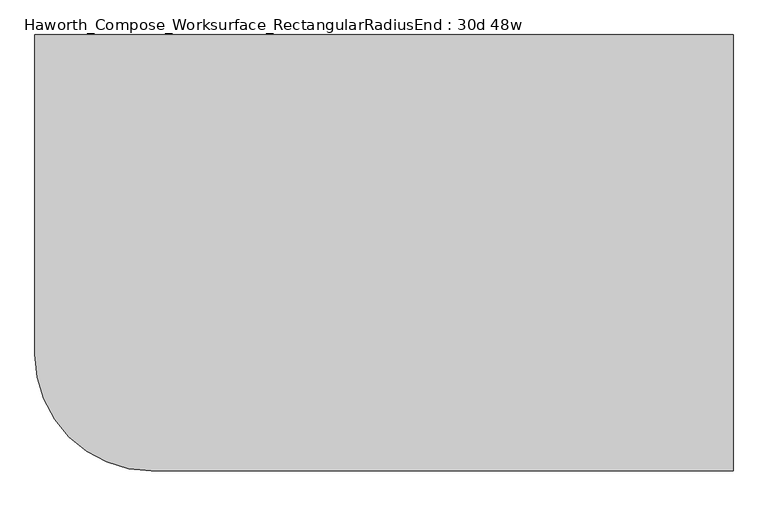
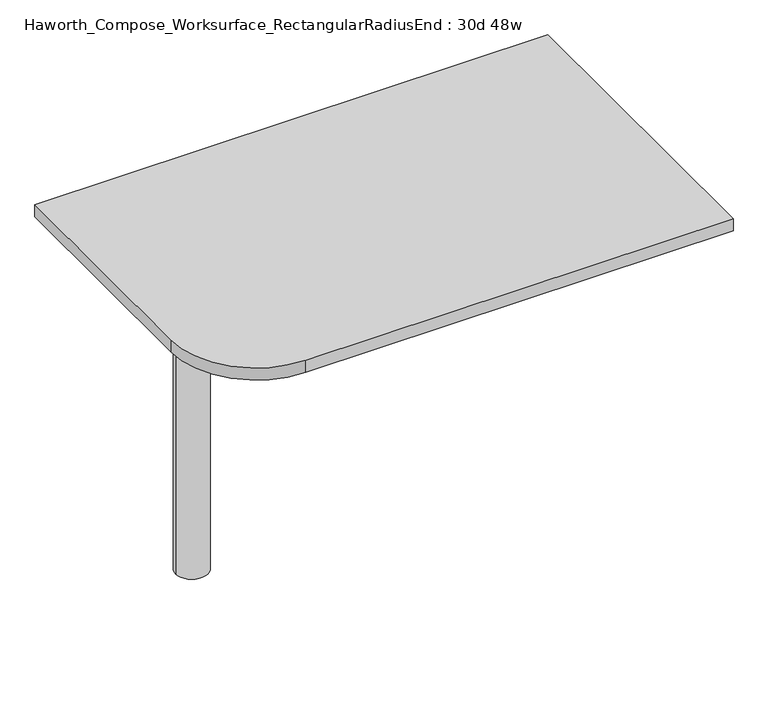
"""IFC4 building model written with IfcOpenShell, lengths in millimetres: furniture geometry, Haworth_Compose_Worksurface_RectangularRadiusEnd : 30d 48w."""

from ifc_helpers import new_model, si_unit, point, frame, frame_2d, origin, place, context, project, spatial, polyline, circle_curve, trimmed, segment, composite_curve, outline, extrude, source, transform, mapped, element, save
from ifc_brep_helpers import plane_surface, cylinder_surface, revolved_surface, advanced_brep


def haworth_compose_worksurface_rectangularradiusend_30d_48w_c543ad48(model_context):
    return source(origin(), model_context, "Body", "SolidModel", [
        advanced_brep(
        [(604.04375, 381.0, 475.45625), (604.04375, 365.125, 475.45625), (604.04375, -25.4, 691.7192568), (604.04375, -25.4, 704.05625), (604.04375, 365.125, 704.05625), (604.04375, 381.0, 704.05625), (604.04375, 297.690072, 665.95625), (604.04375, 254.0355284, 665.95625), (604.04375, 251.3564235, 656.3705539), (604.04375, 343.0776173, 605.5776439), (604.04375, 352.425, 611.1756969), (604.04375, 352.425, 634.6860246), (604.04375, 350.6730055, 637.5242776), (604.04375, 300.7663437, 665.1613425), (606.425, 381.0, 475.45625), (606.425, 381.0, 704.05625), (606.425, 365.125, 704.05625), (606.425, 365.125, 706.4375), (606.425, -25.4, 706.4375), (606.425, -25.4, 691.7192568), (606.425, 365.125, 475.45625), (606.425, 297.690072, 665.95625), (606.425, 300.7663437, 665.1613425), (606.425, 350.6730055, 637.5242776), (606.425, 352.425, 634.6860246), (606.425, 352.425, 611.1756969), (606.425, 343.0776173, 605.5776439), (606.425, 251.3564235, 656.3705539), (606.425, 254.0355284, 665.95625), (565.15, -25.4, 706.4375), (565.15, -25.4, 704.05625), (565.15, 365.125, 704.05625), (565.15, 365.125, 706.4375)],
        [
            (0, 1),
            (1, 2),
            (2, 3),
            (3, 4),
            (4, 5),
            (5, 0),
            (6, 7),
            (7, 8, circle_curve(frame((604.04375, 254.0355284, 660.7890106), z_axis=(1.0, 0.0, 0.0), x_axis=(0.0, -1.0, 0.0)), 5.1672394)),
            (8, 9),
            (9, 10, circle_curve(frame((604.04375, 346.075, 611.1756969), z_axis=(1.0, 0.0, 0.0), x_axis=(0.0, -1.0, 0.0)), 6.35)),
            (10, 11),
            (11, 12, circle_curve(frame((604.04375, 349.25, 634.6860246), z_axis=(1.0, 0.0, 0.0), x_axis=(0.0, -1.0, 0.0)), 3.175)),
            (12, 13),
            (13, 6, circle_curve(frame((604.04375, 297.690072, 659.60625), z_axis=(1.0, 0.0, 0.0), x_axis=(0.0, -1.0, 0.0)), 6.35)),
            (14, 15),
            (15, 16),
            (16, 17),
            (17, 18),
            (18, 19),
            (19, 20),
            (20, 14),
            (21, 22, circle_curve(frame((606.425, 297.690072, 659.60625), z_axis=(-1.0, 0.0, 0.0), x_axis=(0.0, -1.0, 0.0)), 6.35)),
            (22, 23),
            (23, 24, circle_curve(frame((606.425, 349.25, 634.6860246), z_axis=(-1.0, 0.0, 0.0), x_axis=(0.0, -1.0, 0.0)), 3.175)),
            (24, 25),
            (25, 26, circle_curve(frame((606.425, 346.075, 611.1756969), z_axis=(-1.0, 0.0, 0.0), x_axis=(0.0, -1.0, 0.0)), 6.35)),
            (26, 27),
            (27, 28, circle_curve(frame((606.425, 254.0355284, 660.7890106), z_axis=(-1.0, 0.0, 0.0), x_axis=(0.0, -1.0, 0.0)), 5.1672394)),
            (28, 21),
            (4, 16),
            (15, 5),
            (14, 0),
            (20, 1),
            (19, 2),
            (18, 29),
            (29, 30),
            (30, 3),
            (6, 21),
            (28, 7),
            (9, 26),
            (25, 10),
            (24, 11),
            (23, 12),
            (27, 8),
            (31, 4),
            (30, 31),
            (32, 29),
            (17, 32),
            (31, 32),
            (22, 13),
        ],
        [
            plane_surface(frame((604.04375, 381.0, 475.45625), z_axis=(-1.0, 0.0, 0.0), x_axis=(0.0, 1.0, 0.0))),
            plane_surface(frame((606.425, 381.0, 475.45625), z_axis=(1.0, 0.0, 0.0), x_axis=(0.0, -1.0, 0.0))),
            plane_surface(frame((606.425, -25.4, 704.05625), z_axis=(0.0, 0.0, 1.0), x_axis=(-1.0, 0.0, 0.0))),
            plane_surface(frame((606.425, 381.0, 704.05625), z_axis=(0.0, 1.0, 0.0), x_axis=(-1.0, 0.0, 0.0))),
            plane_surface(frame((606.425, 381.0, 475.45625), z_axis=(0.0, 0.0, -1.0), x_axis=(-1.0, 0.0, 0.0))),
            plane_surface(frame((606.425, 365.125, 475.45625), z_axis=(0.0, -0.48445223513455843, -0.8748177135112952), x_axis=(-1.0, 0.0, 0.0))),
            plane_surface(frame((606.425, -25.4, 691.7192568), z_axis=(0.0, -1.0, 0.0), x_axis=(-1.0, 0.0, 0.0))),
            plane_surface(frame((606.425, 297.690072, 665.95625), z_axis=(0.0, 0.0, -1.0), x_axis=(-1.0, 0.0, 0.0))),
            revolved_surface(polyline([(604.04375, 339.72499999999997, 611.1756969), (606.425, 339.72499999999997, 611.1756969)]), (606.425, 346.075, 611.1756969), (-1.0, 0.0, 0.0)),
            plane_surface(frame((606.425, 352.425, 611.1756969), z_axis=(0.0, -1.0, 0.0), x_axis=(-1.0, 0.0, 0.0))),
            revolved_surface(polyline([(604.04375, 346.075, 634.6860246), (606.425, 346.075, 634.6860246)]), (606.425, 349.25, 634.6860246), (-1.0, 0.0, 0.0)),
            revolved_surface(polyline([(604.04375, 248.868289, 660.7890106), (606.425, 248.868289, 660.7890106)]), (606.425, 254.0355284, 660.7890106), (-1.0, 0.0, 0.0)),
            plane_surface(frame((606.425, 365.125, 704.05625), z_axis=(0.0, 0.0, -1.0), x_axis=(-1.0, 0.0, 0.0))),
            plane_surface(frame((606.425, 365.125, 706.4375), z_axis=(0.0, 0.0, 1.0), x_axis=(1.0, 0.0, 0.0))),
            plane_surface(frame((565.15, 365.125, 706.4375), z_axis=(0.0, 1.0, 0.0), x_axis=(0.0, 0.0, -1.0))),
            plane_surface(frame((565.15, -25.4, 706.4375), z_axis=(-1.0, 0.0, 0.0), x_axis=(0.0, 0.0, -1.0))),
            plane_surface(frame((606.425, 251.3564235, 656.3705539), z_axis=(0.0, 0.4844522351345583, 0.8748177135112953), x_axis=(-1.0, 0.0, 0.0))),
            plane_surface(frame((606.425, 350.6730055, 637.5242776), z_axis=(0.0, -0.4844522351345582, -0.8748177135112953), x_axis=(-1.0, 0.0, 0.0))),
            revolved_surface(polyline([(604.04375, 291.34007199999996, 659.60625), (606.425, 291.34007199999996, 659.60625)]), (606.425, 297.690072, 659.60625), (-1.0, 0.0, 0.0)),
        ],
        [
            (0, [[1, 2, 3, 4, 5, 6], [7, 8, 9, 10, 11, 12, 13, 14]]),
            (1, [[15, 16, 17, 18, 19, 20, 21], [22, 23, 24, 25, 26, 27, 28, 29]]),
            (2, [[-5, 30, -16, 31]]),
            (3, [[-31, -15, 32, -6]]),
            (4, [[-32, -21, 33, -1]]),
            (5, [[-33, -20, 34, -2]]),
            (6, [[-34, -19, 35, 36, 37, -3]]),
            (7, [[38, -29, 39, -7]]),
            (8, [[40, -26, 41, -10]]),
            (9, [[-41, -25, 42, -11]]),
            (10, [[-42, -24, 43, -12]]),
            (11, [[-39, -28, 44, -8]]),
            (12, [[45, -4, -37, 46]]),
            (13, [[47, -35, -18, 48]]),
            (14, [[-17, -30, -45, 49, -48]]),
            (15, [[-36, -47, -49, -46]]),
            (16, [[-44, -27, -40, -9]]),
            (17, [[-43, -23, 50, -13]]),
            (18, [[-50, -22, -38, -14]]),
        ],
    ),
        advanced_brep(
        [(-419.1, 0.0, 706.4375), (-495.3, 0.0, 706.4375), (-457.2, 0.0, 706.4375), (-419.1, 0.0, 0.0), (-495.3, 0.0, 0.0), (-457.2, 0.0, 0.0)],
        [
            (0, 1, circle_curve(frame((-457.2, 0.0, 706.4375), z_axis=(0.0, 0.0, 1.0), x_axis=(-1.0, 0.0, 0.0)), 38.1)),
            (1, 2),
            (2, 0),
            (1, 0, circle_curve(frame((-457.2, 0.0, 706.4375), z_axis=(0.0, 0.0, 1.0), x_axis=(-1.0, 0.0, 0.0)), 38.1)),
            (3, 4, circle_curve(frame((-457.2, 0.0, 0.0), z_axis=(0.0, 0.0, 1.0), x_axis=(-1.0, 0.0, 0.0)), 38.1)),
            (4, 1),
            (0, 3),
            (4, 3, circle_curve(frame((-457.2, 0.0, 0.0), z_axis=(0.0, 0.0, 1.0), x_axis=(-1.0, 0.0, 0.0)), 38.1)),
            (5, 4),
            (3, 5),
        ],
        [
            plane_surface(frame((-457.2, 0.0, 706.4375), z_axis=(0.0, 0.0, 1.0), x_axis=(-1.0, 0.0, 0.0))),
            cylinder_surface(frame((-457.2, 0.0, 889.623257), z_axis=(0.0, 0.0, -1.0), x_axis=(-1.0, 0.0, 0.0)), 38.1),
            plane_surface(frame((-457.2, 0.0, 0.0), z_axis=(0.0, 0.0, -1.0), x_axis=(-1.0, 0.0, 0.0))),
        ],
        [
            (0, [[1, 2, 3]]),
            (0, [[4, -3, -2]]),
            (1, [[5, 6, -1, 7]]),
            (1, [[8, -7, -4, -6]]),
            (2, [[9, -5, 10]]),
            (2, [[-10, -8, -9]]),
        ],
    ),
        extrude(outline(composite_curve([segment(polyline([(609.6, 381.0), (609.6, -381.0), (-406.4, -381.0)]), True, "CONTINUOUS"), segment(trimmed(circle_curve(frame_2d((-406.4, -177.8)), 203.2), [point((-406.4, -381.0))], [point((-609.6, -177.8))], False, "CARTESIAN"), True, "CONTINUOUS"), segment(polyline([(-609.6, -177.8), (-609.6, 381.0), (609.6, 381.0)]), True, "CONTINUOUS")], self_intersect=False)), frame((0.0, 0.0, 706.4375), z_axis=(0.0, 0.0, 1.0), x_axis=(1.0, 0.0, 0.0)), (0.0, 0.0, 1.0), 30.1625),
    ])


if __name__ == "__main__":
    model = new_model("IFC4")
    model_context = context("Model", 3, world=origin())
    ifc_project = project(units=[si_unit("LENGTHUNIT", "METRE", prefix="MILLI")], contexts=[model_context])
    site = spatial("IfcSite", under=ifc_project)
    building = spatial("IfcBuilding", under=site)
    placement = place(None, origin())
    haworth_compose_worksurface_rectangularradiusend_30d_48w_shape = haworth_compose_worksurface_rectangularradiusend_30d_48w_c543ad48(model_context)
    element("IfcFurniture", 1, ObjectType="Haworth_Compose_Worksurface_RectangularRadiusEnd : 30d 48w", at=placement, inside=building, context=model_context, shape_type="MappedRepresentation", body=[
        mapped(haworth_compose_worksurface_rectangularradiusend_30d_48w_shape, transform((0.0, 0.0, 0.0), x_axis=(1.0, 0.0, 0.0), y_axis=(0.0, 1.0, 0.0), z_axis=(0.0, 0.0, 1.0))),
    ])
    save(model, "model.ifc")
